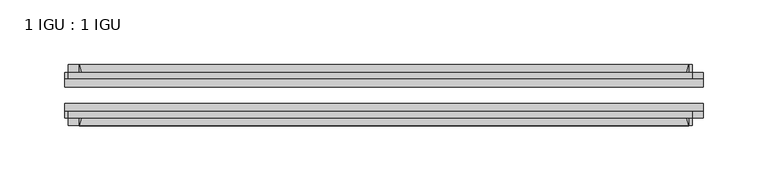
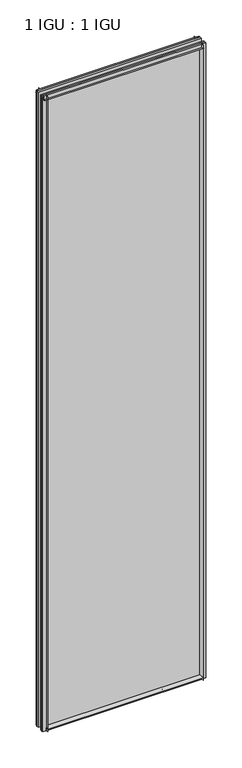
"""IFC4 building model written with IfcOpenShell, lengths in millimetres: plate geometry, 1 IGU : 1 IGU."""

import ifcopenshell
import ifcopenshell.guid

model = None  # the IFC model being written
_history = None  # IfcOwnerHistory: only IFC2X3 demands one
_inside = {}  # id of a spatial element -> (the spatial element, [elements in it])
_under = {}  # id of a project, library or spatial element -> (it, [spatial elements below it])
_declared = {}  # id of a project -> (the project, [libraries it declares])
_typed = {}  # id of a type object -> (the type object, [elements of that type])
_made_of = {}  # id of a material, layer set ... -> (it, [elements and type objects made of it])


def new_model(schema):
    """Start an empty IFC model of exactly this schema.

    Asked for "IFC4X3", IfcOpenShell would pick the latest addendum, in which some entities
    have other attributes; the version numbers below select the first issue.
    IFC2X3 requires an IfcOwnerHistory on every rooted entity: one is made here for all.
    """
    global model, _history
    if schema == "IFC4X3":
        model = ifcopenshell.file(schema_version=(4, 3, 0, 0))
    else:
        model = ifcopenshell.file(schema=schema)
    _inside.clear()
    _under.clear()
    _declared.clear()
    _typed.clear()
    _made_of.clear()
    _history = None
    if model.schema == "IFC2X3":
        org = make("IfcOrganization", Name="unknown")
        user = make(
            "IfcPersonAndOrganization",
            ThePerson=make("IfcPerson", FamilyName="unknown"),
            TheOrganization=org,
        )
        app = make(
            "IfcApplication",
            ApplicationDeveloper=org,
            Version="unknown",
            ApplicationFullName="unknown",
            ApplicationIdentifier="unknown",
        )
        _history = make(
            "IfcOwnerHistory",
            OwningUser=user,
            OwningApplication=app,
            ChangeAction="ADDED",
            CreationDate=0,
        )
    return model


def make(cls, **values):
    """One entity of the class cls with the attributes given. An attribute that is None is left unset."""
    return model.create_entity(
        cls, **{name: value for name, value in values.items() if value is not None}
    )


def rooted(cls, **values):
    """An entity with a GlobalId (a new one), such as an element, a storey or a relation."""
    return make(cls, GlobalId=ifcopenshell.guid.new(), OwnerHistory=_history, **values)


def si_unit(unit_type, name, prefix=None):
    """IfcSIUnit, for example si_unit("LENGTHUNIT", "METRE", prefix="MILLI")."""
    return make("IfcSIUnit", UnitType=unit_type, Prefix=prefix, Name=name)


def assignment(units):
    """IfcUnitAssignment: the units of a project."""
    return None if units is None else make("IfcUnitAssignment", Units=units)


def point(xyz):
    """IfcCartesianPoint."""
    return None if xyz is None else make("IfcCartesianPoint", Coordinates=xyz)


def direction(xyz):
    """IfcDirection."""
    return None if xyz is None else make("IfcDirection", DirectionRatios=xyz)


def frame(location, z_axis=None, x_axis=None):
    """IfcAxis2Placement3D, a coordinate frame: its origin and axes. An axis left out is left unset."""
    return make(
        "IfcAxis2Placement3D",
        Location=point(location),
        Axis=direction(z_axis),
        RefDirection=direction(x_axis),
    )


def frame_2d(location, x_axis=None):
    """IfcAxis2Placement2D, a coordinate frame in the plane: its origin and x axis."""
    return make(
        "IfcAxis2Placement2D", Location=point(location), RefDirection=direction(x_axis)
    )


def origin():
    """The frame at (0, 0, 0) with its axes left unset."""
    return frame((0.0, 0.0, 0.0))


def place(relative_to, where):
    """IfcLocalPlacement: puts the frame where relative to a parent placement (None: the world)."""
    return make(
        "IfcLocalPlacement", PlacementRelTo=relative_to, RelativePlacement=where
    )


def context(
    kind, dimensions, precision=None, world=None, true_north=None, identifier=None
):
    """IfcGeometricRepresentationContext, for example the 3D "Model" context."""
    return make(
        "IfcGeometricRepresentationContext",
        ContextIdentifier=identifier,
        ContextType=kind,
        CoordinateSpaceDimension=dimensions,
        Precision=precision,
        WorldCoordinateSystem=world,
        TrueNorth=true_north,
    )


def project(units=None, contexts=None):
    """IfcProject with its units and contexts."""
    return rooted(
        "IfcProject",
        Name="project",
        RepresentationContexts=contexts,
        UnitsInContext=assignment(units),
    )


def spatial(cls, under=None, at=None, **own):
    """A site, building, storey or space (cls), placed at a placement, below another one or the project."""
    s = rooted(cls, ObjectPlacement=at, **own)
    if under is not None:
        _under.setdefault(under.id(), (under, []))[1].append(s)
    return s


def polyline(points):
    """IfcPolyline through the points."""
    return make("IfcPolyline", Points=[point(p) for p in points])


def circle_curve(where, radius):
    """IfcCircle in the frame where."""
    return make("IfcCircle", Position=where, Radius=radius)


def trimmed(basis, trim1, trim2, sense, master):
    """IfcTrimmedCurve: the piece of a basis curve between two trims."""
    return make(
        "IfcTrimmedCurve",
        BasisCurve=basis,
        Trim1=trim1,
        Trim2=trim2,
        SenseAgreement=sense,
        MasterRepresentation=master,
    )


def segment(curve, same_sense, transition):
    """IfcCompositeCurveSegment."""
    return make(
        "IfcCompositeCurveSegment",
        Transition=transition,
        SameSense=same_sense,
        ParentCurve=curve,
    )


def composite_curve(segments, self_intersect=None):
    """IfcCompositeCurve: segments joined end to end."""
    return make("IfcCompositeCurve", Segments=segments, SelfIntersect=self_intersect)


def outline(outer, holes=None, kind="AREA"):
    """IfcArbitraryClosedProfileDef: a profile drawn as a closed curve; with holes, ...WithVoids."""
    if holes is None:
        return make("IfcArbitraryClosedProfileDef", ProfileType=kind, OuterCurve=outer)
    return make(
        "IfcArbitraryProfileDefWithVoids",
        ProfileType=kind,
        OuterCurve=outer,
        InnerCurves=holes,
    )


def extrude(swept, where, along, depth):
    """IfcExtrudedAreaSolid: the profile swept, set in the frame where, extruded along a direction by depth."""
    return make(
        "IfcExtrudedAreaSolid",
        SweptArea=swept,
        Position=where,
        ExtrudedDirection=direction(along),
        Depth=depth,
    )


def shape(context_of_items, identifier, shape_type, items):
    """IfcShapeRepresentation: the items that make up one representation, for example the "Body"."""
    return make(
        "IfcShapeRepresentation",
        ContextOfItems=context_of_items,
        RepresentationIdentifier=identifier,
        RepresentationType=shape_type,
        Items=items,
    )


def source(mapping_origin, context_of_items, identifier, shape_type, items):
    """IfcRepresentationMap: a shape defined once, which mapped items show again and again."""
    return make(
        "IfcRepresentationMap",
        MappingOrigin=mapping_origin,
        MappedRepresentation=shape(context_of_items, identifier, shape_type, items),
    )


def transform(
    local_origin,
    x_axis=None,
    y_axis=None,
    z_axis=None,
    scale=None,
    scale2=None,
    scale3=None,
    uniform=True,
):
    """IfcCartesianTransformationOperator3D, or its non-uniform kind. x_axis, y_axis, z_axis: its Axis1, 2, 3."""
    if uniform:
        return make(
            "IfcCartesianTransformationOperator3D",
            Axis1=direction(x_axis),
            Axis2=direction(y_axis),
            LocalOrigin=point(local_origin),
            Scale=scale,
            Axis3=direction(z_axis),
        )
    return make(
        "IfcCartesianTransformationOperator3DnonUniform",
        Axis1=direction(x_axis),
        Axis2=direction(y_axis),
        LocalOrigin=point(local_origin),
        Scale=scale,
        Axis3=direction(z_axis),
        Scale2=scale2,
        Scale3=scale3,
    )


def mapped(mapping_source, mapping_target):
    """IfcMappedItem: shows the shape of a source again, moved by a transform."""
    return make(
        "IfcMappedItem", MappingSource=mapping_source, MappingTarget=mapping_target
    )


def made_of(thing, what):
    """Note that an element or type object is made of a material, layer set ...; save() writes the relation."""
    if what is not None:
        _made_of.setdefault(what.id(), (what, []))[1].append(thing)
    return thing


def element(
    cls,
    number,
    at=None,
    inside=None,
    cuts=None,
    type_object=None,
    material=None,
    context=None,
    identifier="Body",
    shape_type=None,
    held_by="IfcProductDefinitionShape",
    body=None,
    shapes=None,
    **own,
):
    """One element of the class cls, such as IfcWall. Its Tag is "e" and its number.

    at: its placement. inside: the storey or other place that contains it. cuts: it is an
    opening in that element (IfcRelVoidsElement). A single representation is given by context,
    identifier, shape_type and body (its items); several are given by shapes. held_by: the class
    of the entity that holds the representations. save() writes the other relations.
    """
    e = rooted(cls, Tag="e%d" % number, ObjectPlacement=at, **own)
    if body is not None:
        shapes = [shape(context, identifier, shape_type, body)]
    if shapes is not None:
        e.Representation = make(held_by, Representations=shapes)
    if inside is not None:
        _inside.setdefault(inside.id(), (inside, []))[1].append(e)
    if cuts is not None:
        rooted(
            "IfcRelVoidsElement", RelatingBuildingElement=cuts, RelatedOpeningElement=e
        )
    if type_object is not None:
        _typed.setdefault(type_object.id(), (type_object, []))[1].append(e)
    return made_of(e, material)


def aggregate(whole, parts):
    """IfcRelAggregates: a whole, such as a stair, and the parts it consists of."""
    return rooted("IfcRelAggregates", RelatingObject=whole, RelatedObjects=parts)


def save(model, path):
    """Write the relations noted so far, then the file.

    IfcRelAggregates (storeys below a building ...), IfcRelContainedInSpatialStructure (elements
    in a storey), IfcRelDefinesByType, IfcRelAssociatesMaterial and IfcRelDeclares: one each for
    every whole, place, type object, material and project.
    """
    for whole, parts in _under.values():
        aggregate(whole, parts)
    for where, things in _inside.values():
        rooted(
            "IfcRelContainedInSpatialStructure",
            RelatedElements=things,
            RelatingStructure=where,
        )
    for kind, things in _typed.values():
        rooted("IfcRelDefinesByType", RelatedObjects=things, RelatingType=kind)
    for what, things in _made_of.values():
        rooted("IfcRelAssociatesMaterial", RelatedObjects=things, RelatingMaterial=what)
    for by, libraries in _declared.values():
        rooted("IfcRelDeclares", RelatingContext=by, RelatedDefinitions=libraries)
    model.write(path)


def plate_1_igu_1_igu_25e1e16a(model_context):
    return source(origin(), model_context, "Body", "SweptSolid", [
        extrude(outline(composite_curve([segment(polyline([(-74.6252, -8.73125), (-74.6252, -0.0097454), (-80.6504332, -0.0097454)]), True, "CONTINUOUS"), segment(trimmed(circle_curve(frame_2d((-86.2258203, 32.2797688)), 32.7673262), [point((-80.6504332, -0.0097454))], [point((-69.85, 3.8979053))], True, "CARTESIAN"), True, "CONTINUOUS"), segment(polyline([(-69.85, 3.8979053), (-69.85, -8.73125), (-74.6252, -8.73125)]), True, "CONTINUOUS")], self_intersect=False)), frame((-234.934125, 0.0, 0.0), z_axis=(1.0, 0.0, 0.0), x_axis=(0.0, 1.0, 0.0)), (0.0, 0.0, 1.0), 469.86825),
        extrude(outline(composite_curve([segment(polyline([(-39.6748, -8.73125), (-44.45, -8.73125), (-44.45, 3.8979053)]), True, "CONTINUOUS"), segment(trimmed(circle_curve(frame_2d((-28.0741797, 32.2797688)), 32.7673262), [point((-44.45, 3.8979053))], [point((-33.6495668, -0.0097454))], True, "CARTESIAN"), True, "CONTINUOUS"), segment(polyline([(-33.6495668, -0.0097454), (-39.6748, -0.0097454), (-39.6748, -8.73125)]), True, "CONTINUOUS")], self_intersect=False)), frame((-234.934125, 0.0, 0.0), z_axis=(1.0, 0.0, 0.0), x_axis=(0.0, 1.0, 0.0)), (0.0, 0.0, 1.0), 469.86825),
        extrude(outline(composite_curve([segment(polyline([(-80.5942, 2008.98125), (-74.6252, 2008.98125), (-74.6252, 2020.09375), (-69.85, 2020.09375), (-69.85, 2005.0833595)]), True, "CONTINUOUS"), segment(trimmed(circle_curve(frame_2d((-86.2258203, 1976.701496)), 32.7673262), [point((-69.85, 2005.0833595))], [point((-80.5942, 2008.98125))], True, "CARTESIAN"), True, "CONTINUOUS")], self_intersect=False)), frame((-243.4468636, 0.0, 0.0), z_axis=(1.0, 0.0, 0.0), x_axis=(0.0, 1.0, 0.0)), (0.0, 0.0, 1.0), 480.9269501),
        extrude(outline(composite_curve([segment(polyline([(-39.6748, 2020.09375), (-39.6748, 2008.98125), (-33.7058, 2008.98125)]), True, "CONTINUOUS"), segment(trimmed(circle_curve(frame_2d((-28.0741797, 1976.701496)), 32.7673262), [point((-33.7058, 2008.98125))], [point((-44.45, 2005.0833595))], True, "CARTESIAN"), True, "CONTINUOUS"), segment(polyline([(-44.45, 2005.0833595), (-44.45, 2020.09375), (-39.6748, 2020.09375)]), True, "CONTINUOUS")], self_intersect=False)), frame((-243.4468636, 0.0, 0.0), z_axis=(1.0, 0.0, 0.0), x_axis=(0.0, 1.0, 0.0)), (0.0, 0.0, 1.0), 480.9269501),
        extrude(outline(composite_curve([segment(polyline([(246.046625, -39.6748), (246.046625, -44.45), (231.0362345, -44.45)]), True, "CONTINUOUS"), segment(trimmed(circle_curve(frame_2d((202.654371, -28.0741797)), 32.7673262), [point((231.0362345, -44.45))], [point((234.934125, -33.7058))], True, "CARTESIAN"), True, "CONTINUOUS"), segment(polyline([(234.934125, -33.7058), (234.934125, -39.6748), (246.046625, -39.6748)]), True, "CONTINUOUS")], self_intersect=False)), frame((0.0, 0.0, -8.73125), z_axis=(0.0, 0.0, 1.0), x_axis=(1.0, 0.0, 0.0)), (0.0, 0.0, 1.0), 2028.825),
        extrude(outline(composite_curve([segment(polyline([(246.046625, -69.85), (246.046625, -74.6252), (234.934125, -74.6252), (234.934125, -80.5942)]), True, "CONTINUOUS"), segment(trimmed(circle_curve(frame_2d((202.654371, -86.2258203)), 32.7673262), [point((234.934125, -80.5942))], [point((231.0362345, -69.85))], True, "CARTESIAN"), True, "CONTINUOUS"), segment(polyline([(231.0362345, -69.85), (246.046625, -69.85)]), True, "CONTINUOUS")], self_intersect=False)), frame((0.0, 0.0, -8.73125), z_axis=(0.0, 0.0, 1.0), x_axis=(1.0, 0.0, 0.0)), (0.0, 0.0, 1.0), 2028.825),
        extrude(outline(composite_curve([segment(polyline([(-246.046625, -39.6748), (-234.934125, -39.6748), (-234.934125, -33.7058)]), True, "CONTINUOUS"), segment(trimmed(circle_curve(frame_2d((-202.654371, -28.0741797)), 32.7673262), [point((-234.934125, -33.7058))], [point((-231.0362345, -44.45))], True, "CARTESIAN"), True, "CONTINUOUS"), segment(polyline([(-231.0362345, -44.45), (-246.046625, -44.45), (-246.046625, -39.6748)]), True, "CONTINUOUS")], self_intersect=False)), frame((0.0, 0.0, -8.73125), z_axis=(0.0, 0.0, 1.0), x_axis=(1.0, 0.0, 0.0)), (0.0, 0.0, 1.0), 2028.825),
        extrude(outline(composite_curve([segment(polyline([(-246.046625, -74.6252), (-246.046625, -69.85), (-231.0362345, -69.85)]), True, "CONTINUOUS"), segment(trimmed(circle_curve(frame_2d((-202.654371, -86.2258203)), 32.7673262), [point((-231.0362345, -69.85))], [point((-234.934125, -80.5942))], True, "CARTESIAN"), True, "CONTINUOUS"), segment(polyline([(-234.934125, -80.5942), (-234.934125, -74.6252), (-246.046625, -74.6252)]), True, "CONTINUOUS")], self_intersect=False)), frame((0.0, 0.0, -8.73125), z_axis=(0.0, 0.0, 1.0), x_axis=(1.0, 0.0, 0.0)), (0.0, 0.0, 1.0), 2028.825),
        extrude(outline(polyline([(-246.046625, -69.85), (-246.046625, -63.5508), (246.046625, -63.5508), (246.046625, -69.85), (-246.046625, -69.85)])), frame((0.0, 0.0, -8.73125), z_axis=(0.0, 0.0, 1.0), x_axis=(1.0, 0.0, 0.0)), (0.0, 0.0, 1.0), 2028.825),
        extrude(outline(polyline([(246.046625, -50.7492), (-246.046625, -50.7492), (-246.046625, -44.45), (246.046625, -44.45), (246.046625, -50.7492)])), frame((0.0, 0.0, -8.73125), z_axis=(0.0, 0.0, 1.0), x_axis=(1.0, 0.0, 0.0)), (0.0, 0.0, 1.0), 2028.825),
    ])


if __name__ == "__main__":
    model = new_model("IFC4")
    model_context = context("Model", 3, world=origin())
    ifc_project = project(units=[si_unit("LENGTHUNIT", "METRE", prefix="MILLI")], contexts=[model_context])
    site = spatial("IfcSite", under=ifc_project)
    building = spatial("IfcBuilding", under=site)
    placement = place(None, origin())
    plate_1_igu_1_igu_shape = plate_1_igu_1_igu_25e1e16a(model_context)
    element("IfcPlate", 1, ObjectType="1 IGU : 1 IGU", at=placement, inside=building, context=model_context, shape_type="MappedRepresentation", body=[
        mapped(plate_1_igu_1_igu_shape, transform((0.0, 0.0, 0.0), x_axis=(1.0, 0.0, 0.0), y_axis=(0.0, 1.0, 0.0), z_axis=(0.0, 0.0, 1.0))),
    ])
    save(model, "model.ifc")
